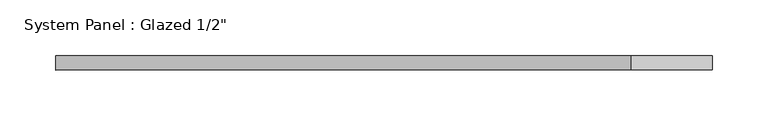
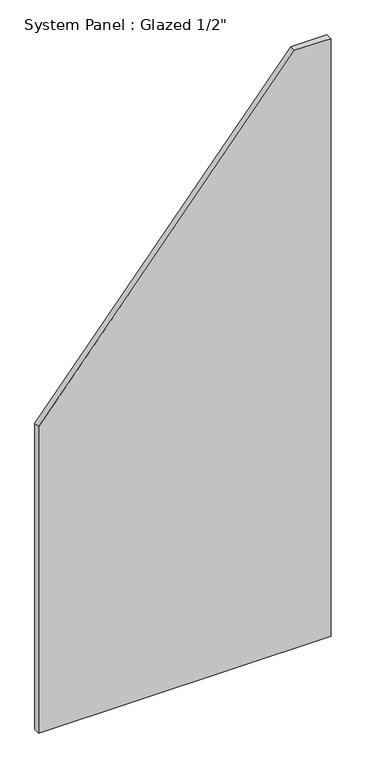
"""IFC4 building model written with IfcOpenShell, lengths in millimetres: plate geometry."""

from ifc_helpers import new_model, si_unit, frame, origin, place, context, project, spatial, polyline, outline, extrude, source, transform, mapped, element, save


def plate_5d50a654(model_context):
    return source(origin(), model_context, "Body", "SweptSolid", [
        extrude(outline(polyline([(0.0, -294.4956866), (0.0, 294.4956866), (1272.115036, 294.4956866), (1272.115036, 221.7123219), (651.7102214, -294.4956866), (0.0, -294.4956866)])), frame((0.0, -6.35, 0.0), z_axis=(0.0, 1.0, 0.0), x_axis=(0.0, 0.0, 1.0)), (0.0, 0.0, 1.0), 12.7),
    ])


if __name__ == "__main__":
    model = new_model("IFC4")
    model_context = context("Model", 3, world=origin())
    ifc_project = project(units=[si_unit("LENGTHUNIT", "METRE", prefix="MILLI")], contexts=[model_context])
    site = spatial("IfcSite", under=ifc_project)
    building = spatial("IfcBuilding", under=site)
    placement = place(None, origin())
    plate_shape = plate_5d50a654(model_context)
    element("IfcPlate", 1, ObjectType="System Panel : Glazed 1/2\"", at=placement, inside=building, context=model_context, shape_type="MappedRepresentation", body=[
        mapped(plate_shape, transform((0.0, 0.0, 0.0), x_axis=(1.0, 0.0, 0.0), y_axis=(0.0, 1.0, 0.0), z_axis=(0.0, 0.0, 1.0))),
    ])
    save(model, "model.ifc")
